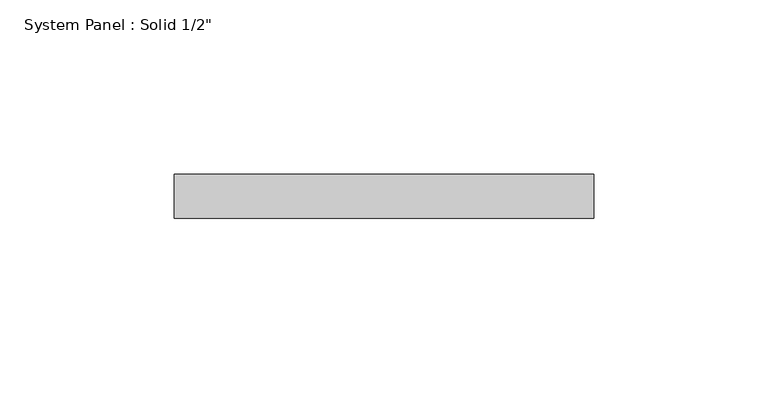
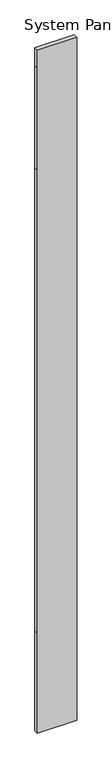
"""IFC4 building model written with IfcOpenShell, lengths in millimetres: plate geometry."""

from ifc_helpers import new_model, si_unit, frame, origin, place, context, project, spatial, polyline, outline, extrude, source, transform, mapped, element, save


def plate_2a7340a6(model_context):
    return source(origin(), model_context, "Body", "SweptSolid", [
        extrude(outline(polyline([(0.0, -60.325), (0.0, 60.325), (323.85, 60.325), (1822.45, 60.325), (2152.65, 60.325), (2209.8, 60.325), (2209.8, -60.325), (2152.65, -60.325), (1822.45, -60.325), (323.85, -60.325), (0.0, -60.325)])), frame((0.0, -6.35, 0.0), z_axis=(0.0, 1.0, 0.0), x_axis=(0.0, 0.0, 1.0)), (0.0, 0.0, 1.0), 12.7),
    ])


if __name__ == "__main__":
    model = new_model("IFC4")
    model_context = context("Model", 3, world=origin())
    ifc_project = project(units=[si_unit("LENGTHUNIT", "METRE", prefix="MILLI")], contexts=[model_context])
    site = spatial("IfcSite", under=ifc_project)
    building = spatial("IfcBuilding", under=site)
    placement = place(None, origin())
    plate_shape = plate_2a7340a6(model_context)
    element("IfcPlate", 1, ObjectType="System Panel : Solid 1/2\"", at=placement, inside=building, context=model_context, shape_type="MappedRepresentation", body=[
        mapped(plate_shape, transform((0.0, 0.0, 0.0), x_axis=(1.0, 0.0, 0.0), y_axis=(0.0, 1.0, 0.0), z_axis=(0.0, 0.0, 1.0))),
    ])
    save(model, "model.ifc")
